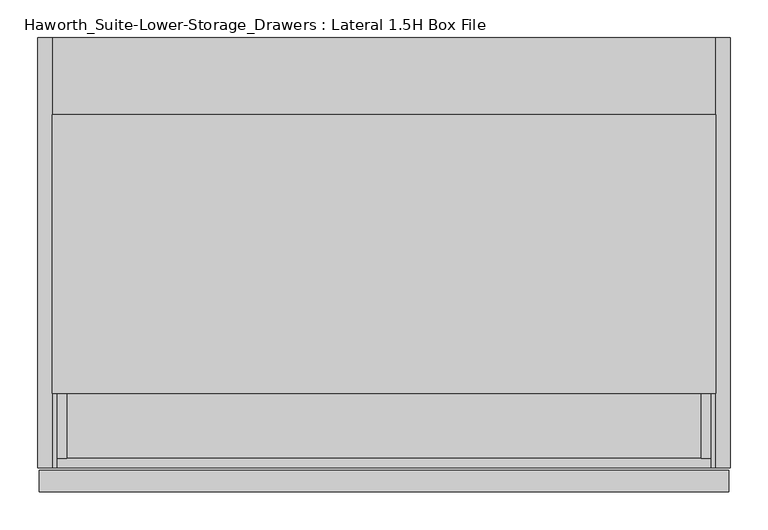
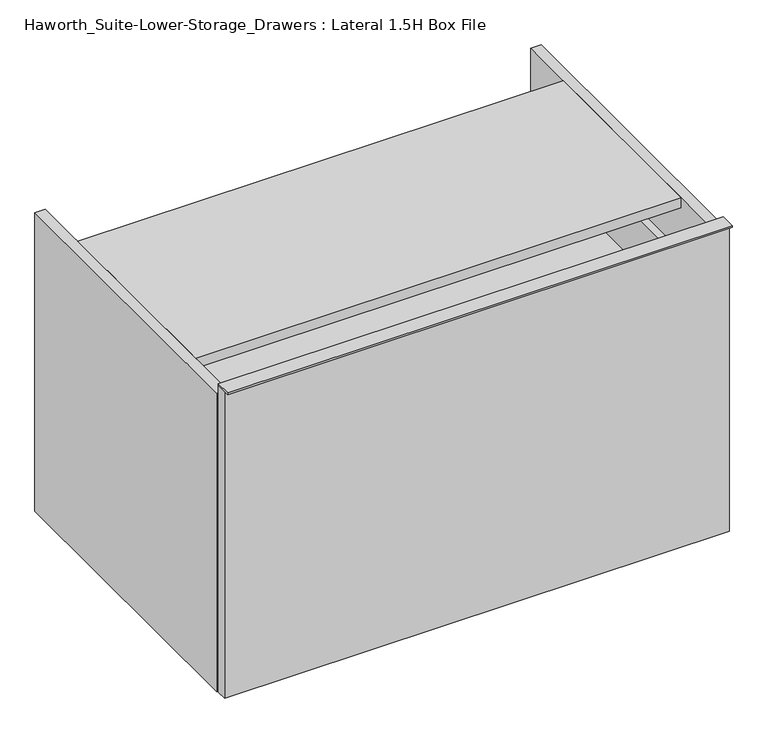
"""IFC4 building model written with IfcOpenShell, lengths in millimetres: furniture geometry, Haworth_Suite-Lower-Storage_Drawers : Lateral 1.5H Box File."""

from ifc_helpers import new_model, si_unit, frame, origin, origin_with_axes, place, context, project, spatial, polyline, outline, extrude, source, transform, mapped, element, save


def haworth_suite_lower_storage_drawers_lateral_1_5h_box_file_aae1b154(model_context):
    return source(origin(), model_context, "Body", "SweptSolid", [
        extrude(outline(polyline([(442.9125, -631.825), (-468.3125, -631.825), (-468.3125, -603.25), (442.9125, -603.25), (442.9125, -631.825)])), frame((0.0, 0.0, 585.7875), z_axis=(0.0, 0.0, 1.0), x_axis=(1.0, 0.0, 0.0)), (0.0, 0.0, 1.0), 3.175),
        extrude(outline(polyline([(442.9125, -603.25), (442.9125, -622.3), (-468.3125, -622.3), (-468.3125, -603.25), (442.9125, -603.25)])), origin_with_axes(), (0.0, 0.0, 1.0), 585.7875),
        extrude(outline(polyline([(406.4, -587.375), (406.4, -206.375), (419.1, -206.375), (419.1, -587.375), (406.4, -587.375)])), frame((0.0, 0.0, 374.65), z_axis=(0.0, 0.0, 1.0), x_axis=(1.0, 0.0, 0.0)), (0.0, 0.0, 1.0), 101.6),
        extrude(outline(polyline([(-444.5, -206.375), (-431.8, -206.375), (-431.8, -587.375), (-444.5, -587.375), (-444.5, -206.375)])), frame((0.0, 0.0, 374.65), z_axis=(0.0, 0.0, 1.0), x_axis=(1.0, 0.0, 0.0)), (0.0, 0.0, 1.0), 101.6),
        extrude(outline(polyline([(-444.5, -206.375), (-444.5, -193.675), (419.1, -193.675), (419.1, -206.375), (-444.5, -206.375)])), frame((0.0, 0.0, 374.65), z_axis=(0.0, 0.0, 1.0), x_axis=(1.0, 0.0, 0.0)), (0.0, 0.0, 1.0), 101.6),
        extrude(outline(polyline([(-444.5, -600.075), (-444.5, -587.375), (419.1, -587.375), (419.1, -600.075), (-444.5, -600.075)])), frame((0.0, 0.0, 374.65), z_axis=(0.0, 0.0, 1.0), x_axis=(1.0, 0.0, 0.0)), (0.0, 0.0, 1.0), 101.6),
        extrude(outline(polyline([(-431.8, -587.375), (-431.8, -206.375), (406.4, -206.375), (406.4, -587.375), (-431.8, -587.375)])), frame((0.0, 0.0, 374.65), z_axis=(0.0, 0.0, 1.0), x_axis=(1.0, 0.0, 0.0)), (0.0, 0.0, 1.0), 12.7),
        extrude(outline(polyline([(406.4, -587.375), (406.4, -206.375), (419.1, -206.375), (419.1, -587.375), (406.4, -587.375)])), frame((0.0, 0.0, 50.8), z_axis=(0.0, 0.0, 1.0), x_axis=(1.0, 0.0, 0.0)), (0.0, 0.0, 1.0), 254.0),
        extrude(outline(polyline([(-444.5, -206.375), (-431.8, -206.375), (-431.8, -587.375), (-444.5, -587.375), (-444.5, -206.375)])), frame((0.0, 0.0, 50.8), z_axis=(0.0, 0.0, 1.0), x_axis=(1.0, 0.0, 0.0)), (0.0, 0.0, 1.0), 254.0),
        extrude(outline(polyline([(-444.5, -206.375), (-444.5, -193.675), (419.1, -193.675), (419.1, -206.375), (-444.5, -206.375)])), frame((0.0, 0.0, 50.8), z_axis=(0.0, 0.0, 1.0), x_axis=(1.0, 0.0, 0.0)), (0.0, 0.0, 1.0), 254.0),
        extrude(outline(polyline([(-444.5, -600.075), (-444.5, -587.375), (419.1, -587.375), (419.1, -600.075), (-444.5, -600.075)])), frame((0.0, 0.0, 50.8), z_axis=(0.0, 0.0, 1.0), x_axis=(1.0, 0.0, 0.0)), (0.0, 0.0, 1.0), 254.0),
        extrude(outline(polyline([(-431.8, -587.375), (-431.8, -206.375), (406.4, -206.375), (406.4, -587.375), (-431.8, -587.375)])), frame((0.0, 0.0, 50.8), z_axis=(0.0, 0.0, 1.0), x_axis=(1.0, 0.0, 0.0)), (0.0, 0.0, 1.0), 12.7),
        extrude(outline(polyline([(550.8625, 425.45), (550.8625, -450.85), (38.1, -450.85), (38.1, 425.45), (550.8625, 425.45)]), holes=[polyline([(449.2625, 323.85), (139.7, 323.85), (139.7, -349.25), (449.2625, -349.25), (449.2625, 323.85)])]), frame((0.0, -152.4, 0.0), z_axis=(0.0, 1.0, 0.0), x_axis=(0.0, 0.0, 1.0)), (0.0, 0.0, 1.0), 19.05),
        extrude(outline(polyline([(425.45, -133.35), (425.45, -501.65), (-450.85, -501.65), (-450.85, -133.35), (425.45, -133.35)])), frame((0.0, 0.0, 550.8625), z_axis=(0.0, 0.0, 1.0), x_axis=(1.0, 0.0, 0.0)), (0.0, 0.0, 1.0), 19.05),
        extrude(outline(polyline([(425.45, -31.75), (425.45, -600.075), (-450.85, -600.075), (-450.85, -31.75), (425.45, -31.75)])), origin_with_axes(), (0.0, 0.0, 1.0), 38.1),
        extrude(outline(polyline([(-450.85, -31.75), (-450.85, -600.075), (-469.9, -600.075), (-469.9, -31.75), (-450.85, -31.75)])), origin_with_axes(), (0.0, 0.0, 1.0), 569.9125),
        extrude(outline(polyline([(444.5, -600.075), (425.45, -600.075), (425.45, -31.75), (444.5, -31.75), (444.5, -600.075)])), origin_with_axes(), (0.0, 0.0, 1.0), 569.9125),
    ])


if __name__ == "__main__":
    model = new_model("IFC4")
    model_context = context("Model", 3, world=origin())
    ifc_project = project(units=[si_unit("LENGTHUNIT", "METRE", prefix="MILLI")], contexts=[model_context])
    site = spatial("IfcSite", under=ifc_project)
    building = spatial("IfcBuilding", under=site)
    placement = place(None, origin())
    haworth_suite_lower_storage_drawers_lateral_1_5h_box_file_shape = haworth_suite_lower_storage_drawers_lateral_1_5h_box_file_aae1b154(model_context)
    element("IfcFurniture", 1, ObjectType="Haworth_Suite-Lower-Storage_Drawers : Lateral 1.5H Box File", at=placement, inside=building, context=model_context, shape_type="MappedRepresentation", body=[
        mapped(haworth_suite_lower_storage_drawers_lateral_1_5h_box_file_shape, transform((0.0, 0.0, 0.0), x_axis=(1.0, 0.0, 0.0), y_axis=(0.0, 1.0, 0.0), z_axis=(0.0, 0.0, 1.0))),
    ])
    save(model, "model.ifc")
